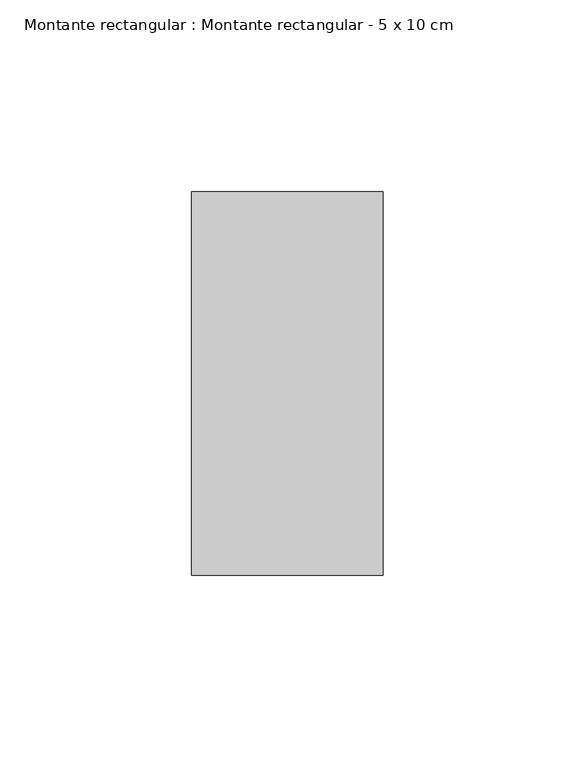
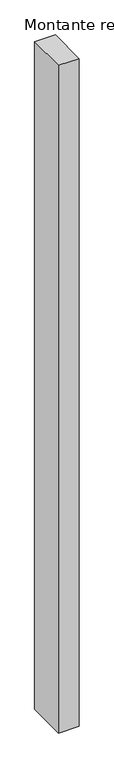
"""IFC4 building model written with IfcOpenShell, lengths in millimetres: member geometry, Montante rectangular : Montante rectangular - 5 x 10 cm."""

from ifc_helpers import new_model, si_unit, frame, origin, place, context, project, spatial, polyline, outline, extrude, source, transform, mapped, element, save


def montante_rectangular_montante_rectangular_5_x_10_cm_e187ccd2(model_context):
    return source(origin(), model_context, "Body", "SweptSolid", [
        extrude(outline(polyline([(-50.0, 50.0), (0.0, 50.0), (0.0, -50.0), (-50.0, -50.0), (-50.0, 50.0)])), frame((0.0, 0.0, -1710.8718726), z_axis=(0.0, 0.0, 1.0), x_axis=(1.0, 0.0, 0.0)), (0.0, 0.0, 1.0), 1710.8718726),
    ])


if __name__ == "__main__":
    model = new_model("IFC4")
    model_context = context("Model", 3, world=origin())
    ifc_project = project(units=[si_unit("LENGTHUNIT", "METRE", prefix="MILLI")], contexts=[model_context])
    site = spatial("IfcSite", under=ifc_project)
    building = spatial("IfcBuilding", under=site)
    placement = place(None, origin())
    montante_rectangular_montante_rectangular_5_x_10_cm_shape = montante_rectangular_montante_rectangular_5_x_10_cm_e187ccd2(model_context)
    element("IfcMember", 1, ObjectType="Montante rectangular : Montante rectangular - 5 x 10 cm", at=placement, inside=building, context=model_context, shape_type="MappedRepresentation", body=[
        mapped(montante_rectangular_montante_rectangular_5_x_10_cm_shape, transform((0.0, 0.0, 0.0), x_axis=(1.0, 0.0, 0.0), y_axis=(0.0, 1.0, 0.0), z_axis=(0.0, 0.0, 1.0))),
    ])
    save(model, "model.ifc")
